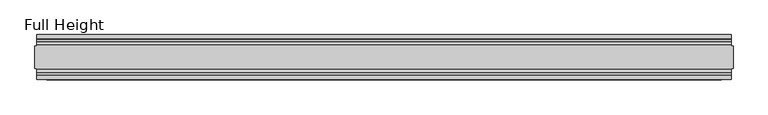
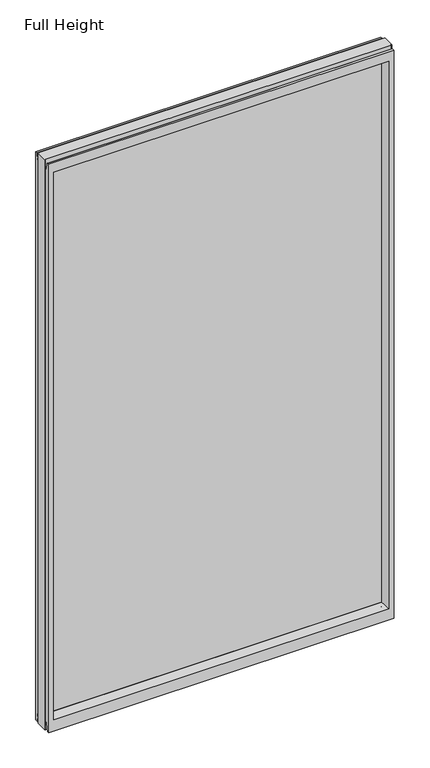
"""IFC4 building model written with IfcOpenShell, lengths in millimetres: plate geometry, Full Height."""

from ifc_helpers import new_model, si_unit, frame, origin, place, context, project, spatial, polyline, circle_curve, outline, extrude, source, transform, mapped, element, save
from ifc_brep_helpers import plane_surface, cylinder_surface, revolved_surface, advanced_brep


def full_height_ef7ac320(model_context):
    return source(origin(), model_context, "Body", "SolidModel", [
        advanced_brep(
        [(774.7, 25.146, 2688.336), (770.128, 25.146, 2688.336), (770.128, 26.67, 2688.336), (-770.128, 26.67, 2688.336), (-770.128, 25.146, 2688.336), (-774.7, 25.146, 2688.336), (-774.7, -25.146, 2688.336), (-770.128, -25.146, 2688.336), (-770.128, -26.67, 2688.336), (770.128, -26.67, 2688.336), (770.128, -25.146, 2688.336), (774.7, -25.146, 2688.336), (774.7, 25.146, 0.0), (774.7, -25.146, 0.0), (770.128, -25.146, 0.0), (770.128, -26.67, 0.0), (-770.128, -26.67, 0.0), (-770.128, -25.146, 0.0), (-774.7, -25.146, 0.0), (-774.7, 25.146, 0.0), (-770.128, 25.146, 0.0), (-770.128, 26.67, 0.0), (770.128, 26.67, 0.0), (770.128, 25.146, 0.0), (-770.128, 40.7946686, 0.0), (-770.128, 50.0, 0.0), (770.128, 50.0, 0.0), (770.128, 40.7946686, 0.0), (-770.128, 26.67, 36.4542208), (770.128, 26.67, 36.4542208), (-770.128, -26.67, 36.4542208), (-770.128, -34.2686707, 36.8568054), (-770.128, -36.9464913, 11.6561909), (-770.128, -39.043018, 8.6755976), (-770.128, -39.5246686, 7.9074686), (-770.128, -39.5246686, 1.27), (-770.128, -40.7946686, 0.0), (-770.128, -50.0, 0.0), (-770.128, -50.0, 2679.192), (-770.128, -39.9371387, 2679.192), (-770.128, -39.1867152, 2678.5623199), (-770.128, -34.2321175, 2650.4634004), (-770.128, -26.67, 2651.125), (-770.128, 39.5246686, 1.27), (-770.128, 39.5246686, 7.9074686), (-770.128, 39.043018, 8.6755976), (-770.128, 36.9464913, 11.6561909), (-770.128, 34.2686707, 36.8568054), (-770.128, 26.67, 2651.125), (-770.128, 34.2321175, 2650.4634004), (-770.128, 39.1867152, 2678.5623199), (-770.128, 39.9371387, 2679.192), (-770.128, 50.0, 2679.192), (770.128, -50.0, 0.0), (770.128, -50.0, 2679.192), (-748.03, -50.0, 2634.615), (748.03, -50.0, 2634.615), (748.03, -50.0, 52.8372208), (-748.03, -50.0, 52.8372208), (770.128, 50.0, 2679.192), (-748.03, 50.0, 52.8372208), (748.03, 50.0, 52.8372208), (748.03, 50.0, 2634.615), (-748.03, 50.0, 2634.615), (-742.061, -6.1006519, 58.8062208), (-742.061, -6.1006519, 2628.646), (-742.061, 6.1006519, 2628.646), (-742.061, 6.1006519, 58.8062208), (742.061, 6.1006519, 58.8062208), (742.061, 6.1006519, 2628.646), (742.061, -6.1006519, 2628.646), (742.061, -6.1006519, 58.8062208), (770.128, -40.7946686, 0.0), (770.128, -39.5246686, 1.27), (770.128, -39.5246686, 7.9074686), (770.128, -39.043018, 8.6755976), (770.128, -36.9464913, 11.6561909), (770.128, -34.2686707, 36.8568054), (770.128, -26.67, 36.4542208), (770.128, -26.67, 2651.125), (770.128, -34.2321175, 2650.4634004), (770.128, -39.1867152, 2678.5623199), (770.128, -39.9371387, 2679.192), (770.128, 39.9371387, 2679.192), (770.128, 39.1867152, 2678.5623199), (770.128, 34.2321175, 2650.4634004), (770.128, 26.67, 2651.125), (770.128, 34.2686707, 36.8568054), (770.128, 36.9464913, 11.6561909), (770.128, 39.043018, 8.6755976), (770.128, 39.5246686, 7.9074686), (770.128, 39.5246686, 1.27)],
        [
            (0, 1),
            (1, 2),
            (2, 3),
            (3, 4),
            (4, 5),
            (5, 6),
            (6, 7),
            (7, 8),
            (8, 9),
            (9, 10),
            (10, 11),
            (11, 0),
            (12, 13),
            (13, 14),
            (14, 15),
            (15, 16),
            (16, 17),
            (17, 18),
            (18, 19),
            (19, 20),
            (20, 21),
            (21, 22),
            (22, 23),
            (23, 12),
            (23, 1),
            (0, 12),
            (10, 14),
            (13, 11),
            (5, 19),
            (18, 6),
            (17, 7),
            (4, 20),
            (24, 25),
            (25, 26),
            (26, 27),
            (27, 24),
            (21, 28),
            (28, 29),
            (29, 22),
            (16, 30),
            (30, 31, circle_curve(frame((-770.128, -30.48, 36.4542208), z_axis=(1.0, 0.0, 0.0), x_axis=(0.0, -1.0, 0.0)), 3.81)),
            (31, 32),
            (32, 33, circle_curve(frame((-770.128, -40.6770502, 12.0526006), z_axis=(-1.0, 0.0, 0.0), x_axis=(0.0, -1.0, 0.0)), 3.751561)),
            (33, 34, circle_curve(frame((-770.128, -38.671343, 7.9074686), z_axis=(1.0, 0.0, 0.0), x_axis=(0.0, -1.0, 0.0)), 0.8533256)),
            (34, 35),
            (35, 36, circle_curve(frame((-770.128, -40.7946686, 1.27), z_axis=(-1.0, 0.0, 0.0), x_axis=(0.0, -1.0, 0.0)), 1.27)),
            (36, 37),
            (37, 38),
            (38, 39),
            (39, 40, circle_curve(frame((-770.128, -39.9371387, 2678.43), z_axis=(-1.0, 0.0, 0.0), x_axis=(0.0, -1.0, 0.0)), 0.762)),
            (40, 41),
            (41, 42, circle_curve(frame((-770.128, -30.48, 2651.125), z_axis=(1.0, 0.0, 0.0), x_axis=(0.0, -1.0, 0.0)), 3.81)),
            (42, 8),
            (24, 43, circle_curve(frame((-770.128, 40.7946686, 1.27), z_axis=(-1.0, 0.0, 0.0), x_axis=(0.0, -1.0, 0.0)), 1.27)),
            (43, 44),
            (44, 45, circle_curve(frame((-770.128, 38.671343, 7.9074686), z_axis=(1.0, 0.0, 0.0), x_axis=(0.0, -1.0, 0.0)), 0.8533256)),
            (45, 46, circle_curve(frame((-770.128, 40.6770502, 12.0526006), z_axis=(-1.0, 0.0, 0.0), x_axis=(0.0, -1.0, 0.0)), 3.751561)),
            (46, 47),
            (47, 28, circle_curve(frame((-770.128, 30.48, 36.4542208), z_axis=(1.0, 0.0, 0.0), x_axis=(0.0, -1.0, 0.0)), 3.81)),
            (3, 48),
            (48, 49, circle_curve(frame((-770.128, 30.48, 2651.125), z_axis=(1.0, 0.0, 0.0), x_axis=(0.0, -1.0, 0.0)), 3.81)),
            (49, 50),
            (50, 51, circle_curve(frame((-770.128, 39.9371387, 2678.43), z_axis=(-1.0, 0.0, 0.0), x_axis=(0.0, -1.0, 0.0)), 0.762)),
            (51, 52),
            (52, 25),
            (37, 53),
            (53, 54),
            (54, 38),
            (55, 56),
            (56, 57),
            (57, 58),
            (58, 55),
            (52, 59),
            (59, 26),
            (60, 61),
            (61, 62),
            (62, 63),
            (63, 60),
            (58, 64),
            (64, 65),
            (65, 55),
            (63, 66),
            (66, 67),
            (67, 60),
            (61, 68),
            (68, 69),
            (69, 62),
            (70, 71),
            (71, 57),
            (56, 70),
            (53, 72),
            (72, 73, circle_curve(frame((770.128, -40.7946686, 1.27), z_axis=(1.0, 0.0, 0.0), x_axis=(0.0, -1.0, 0.0)), 1.27)),
            (73, 74),
            (74, 75, circle_curve(frame((770.128, -38.671343, 7.9074686), z_axis=(-1.0, 0.0, 0.0), x_axis=(0.0, -1.0, 0.0)), 0.8533256)),
            (75, 76, circle_curve(frame((770.128, -40.6770502, 12.0526006), z_axis=(1.0, 0.0, 0.0), x_axis=(0.0, -1.0, 0.0)), 3.751561)),
            (76, 77),
            (77, 78, circle_curve(frame((770.128, -30.48, 36.4542208), z_axis=(-1.0, 0.0, 0.0), x_axis=(0.0, -1.0, 0.0)), 3.81)),
            (78, 15),
            (9, 79),
            (79, 80, circle_curve(frame((770.128, -30.48, 2651.125), z_axis=(-1.0, 0.0, 0.0), x_axis=(0.0, -1.0, 0.0)), 3.81)),
            (80, 81),
            (81, 82, circle_curve(frame((770.128, -39.9371387, 2678.43), z_axis=(1.0, 0.0, 0.0), x_axis=(0.0, -1.0, 0.0)), 0.762)),
            (82, 54),
            (59, 83),
            (83, 84, circle_curve(frame((770.128, 39.9371387, 2678.43), z_axis=(1.0, 0.0, 0.0), x_axis=(0.0, -1.0, 0.0)), 0.762)),
            (84, 85),
            (85, 86, circle_curve(frame((770.128, 30.48, 2651.125), z_axis=(-1.0, 0.0, 0.0), x_axis=(0.0, -1.0, 0.0)), 3.81)),
            (86, 2),
            (29, 87, circle_curve(frame((770.128, 30.48, 36.4542208), z_axis=(-1.0, 0.0, 0.0), x_axis=(0.0, -1.0, 0.0)), 3.81)),
            (87, 88),
            (88, 89, circle_curve(frame((770.128, 40.6770502, 12.0526006), z_axis=(1.0, 0.0, 0.0), x_axis=(0.0, -1.0, 0.0)), 3.751561)),
            (89, 90, circle_curve(frame((770.128, 38.671343, 7.9074686), z_axis=(-1.0, 0.0, 0.0), x_axis=(0.0, -1.0, 0.0)), 0.8533256)),
            (90, 91),
            (91, 27, circle_curve(frame((770.128, 40.7946686, 1.27), z_axis=(1.0, 0.0, 0.0), x_axis=(0.0, -1.0, 0.0)), 1.27)),
            (91, 43),
            (90, 44),
            (89, 45),
            (88, 46),
            (87, 47),
            (78, 30),
            (31, 77),
            (76, 32),
            (75, 33),
            (74, 34),
            (73, 35),
            (72, 36),
            (71, 64),
            (67, 68),
            (86, 48),
            (85, 49),
            (84, 50),
            (83, 51),
            (69, 66),
            (65, 70),
            (82, 39),
            (81, 40),
            (80, 41),
            (79, 42),
            (65, 66),
            (69, 70),
            (71, 68),
            (67, 64),
        ],
        [
            plane_surface(frame((770.128, 25.146, 2688.336), z_axis=(0.0, 0.0, 1.0), x_axis=(-1.0, 0.0, 0.0))),
            plane_surface(frame((770.128, 25.146, 0.0), z_axis=(0.0, 0.0, -1.0), x_axis=(1.0, 0.0, 0.0))),
            plane_surface(frame((774.7, 25.146, 2688.336), z_axis=(0.0, 1.0, 0.0), x_axis=(0.0, 0.0, -1.0))),
            plane_surface(frame((770.128, -25.146, 2688.336), z_axis=(0.0, -1.0, 0.0), x_axis=(0.0, 0.0, -1.0))),
            plane_surface(frame((774.7, -25.146, 2688.336), z_axis=(1.0, 0.0, 0.0), x_axis=(0.0, 0.0, -1.0))),
            plane_surface(frame((-774.7, 25.146, 2688.336), z_axis=(-1.0, 0.0, 0.0), x_axis=(0.0, 0.0, -1.0))),
            plane_surface(frame((-774.7, -25.146, 2688.336), z_axis=(0.0, -1.0, 0.0), x_axis=(0.0, 0.0, -1.0))),
            plane_surface(frame((-770.128, 25.146, 2688.336), z_axis=(0.0, 1.0, 0.0), x_axis=(0.0, 0.0, -1.0))),
            plane_surface(frame((-770.128, 50.0, 0.0), z_axis=(0.0, 0.0, -1.0), x_axis=(1.0, 0.0, 0.0))),
            plane_surface(frame((-770.128, 26.67, 36.4542208), z_axis=(0.0, 1.0, 0.0), x_axis=(1.0, 0.0, 0.0))),
            plane_surface(frame((-770.128, 50.0, 2646.4006), z_axis=(-1.0, 0.0, 0.0), x_axis=(0.0, 0.0, -1.0))),
            plane_surface(frame((-770.128, -50.0, 2646.4006), z_axis=(0.0, -1.0, 0.0), x_axis=(0.0, 0.0, -1.0))),
            plane_surface(frame((-748.03, 50.0, 2646.4006), z_axis=(0.0, 1.0, 0.0), x_axis=(0.0, 0.0, -1.0))),
            plane_surface(frame((-748.03, -50.0, 2646.4006), z_axis=(0.9908822943533606, -0.13473039277393942, 0.0), x_axis=(0.0, 0.0, -1.0))),
            plane_surface(frame((-742.061, 6.1006519, 2646.4006), z_axis=(0.9908822943533612, 0.13473039277393595, 0.0), x_axis=(0.0, 0.0, -1.0))),
            plane_surface(frame((748.03, 50.0, 2646.4006), z_axis=(-0.9908822943533602, 0.1347303927739433, 0.0), x_axis=(0.0, 0.0, -1.0))),
            plane_surface(frame((742.061, -6.1006519, 2646.4006), z_axis=(-0.990882294353356, -0.13473039277397456, 0.0), x_axis=(0.0, 0.0, -1.0))),
            plane_surface(frame((770.128, -50.0, 2646.4006), z_axis=(1.0, 0.0, 0.0), x_axis=(0.0, 0.0, -1.0))),
            cylinder_surface(frame((770.128, 40.7946686, 1.27), z_axis=(-1.0, 0.0, 0.0), x_axis=(0.0, -1.0, 0.0)), 1.27),
            plane_surface(frame((-770.128, 39.5246686, 1.27), z_axis=(0.0, -1.0, 0.0), x_axis=(1.0, 0.0, 0.0))),
            revolved_surface(polyline([(770.128, 37.8180174, 7.9074686), (-770.128, 37.8180174, 7.9074686)]), (770.128, 38.671343, 7.9074686), (1.0, 0.0, 0.0)),
            cylinder_surface(frame((770.128, 40.6770502, 12.0526006), z_axis=(-1.0, 0.0, 0.0), x_axis=(0.0, -1.0, 0.0)), 3.751561),
            plane_surface(frame((-770.128, 36.9464913, 11.6561909), z_axis=(0.0, -0.9944017560866673, -0.10566526151840337), x_axis=(1.0, 0.0, 0.0))),
            plane_surface(frame((-770.128, -26.67, 0.0), z_axis=(0.0, -1.0, 0.0), x_axis=(1.0, 0.0, 0.0))),
            plane_surface(frame((-770.128, -34.2686707, 36.8568054), z_axis=(0.0, 0.9944017560866222, -0.10566526151882621), x_axis=(1.0, 0.0, 0.0))),
            cylinder_surface(frame((770.128, -40.6770502, 12.0526006), z_axis=(-1.0, 0.0, 0.0), x_axis=(0.0, -1.0, 0.0)), 3.751561),
            revolved_surface(polyline([(770.128, -39.5246686, 7.9074686), (-770.128, -39.5246686, 7.9074686)]), (770.128, -38.671343, 7.9074686), (1.0, 0.0, 0.0)),
            plane_surface(frame((-770.128, -39.5246686, 7.9074686), z_axis=(0.0, 1.0, 0.0), x_axis=(1.0, 0.0, 0.0))),
            cylinder_surface(frame((770.128, -40.7946686, 1.27), z_axis=(-1.0, 0.0, 0.0), x_axis=(0.0, -1.0, 0.0)), 1.27),
            plane_surface(frame((-770.128, -40.7946686, 0.0), z_axis=(0.0, 0.0, -1.0), x_axis=(1.0, 0.0, 0.0))),
            plane_surface(frame((-770.128, -50.0, 52.8372208), z_axis=(0.0, -0.13473039277394736, 0.9908822943533596), x_axis=(1.0, 0.0, 0.0))),
            plane_surface(frame((-770.128, 6.1006519, 58.8062208), z_axis=(0.0, 0.13473039277399934, 0.9908822943533526), x_axis=(1.0, 0.0, 0.0))),
            revolved_surface(polyline([(770.128, 26.67, 36.4542208), (-770.128, 26.67, 36.4542208)]), (770.128, 30.48, 36.4542208), (1.0, 0.0, 0.0)),
            revolved_surface(polyline([(770.128, -34.29, 36.4542208), (-770.128, -34.29, 36.4542208)]), (770.128, -30.48, 36.4542208), (1.0, 0.0, 0.0)),
            plane_surface(frame((-770.128, 26.67, 2688.336), z_axis=(0.0, 1.0, 0.0), x_axis=(1.0, 0.0, 0.0))),
            revolved_surface(polyline([(770.1279999999999, 26.67, 2651.125), (-770.128, 26.67, 2651.125)]), (-774.7, 30.48, 2651.125), (1.0, 0.0, 0.0)),
            plane_surface(frame((-770.128, 34.2321175, 2650.4634004), z_axis=(0.0, -0.9848077530113105, 0.1736481776720208), x_axis=(1.0, 0.0, 0.0))),
            cylinder_surface(frame((-774.7, 39.9371387, 2678.43), z_axis=(-1.0, 0.0, 0.0), x_axis=(0.0, -1.0, 0.0)), 0.762),
            plane_surface(frame((-770.128, 39.9371387, 2679.192), z_axis=(0.0, 0.0, 1.0), x_axis=(1.0, 0.0, 0.0))),
            plane_surface(frame((-770.128, 50.0, 2634.615), z_axis=(0.0, 0.1347303927734498, -0.9908822943534272), x_axis=(1.0, 0.0, 0.0))),
            plane_surface(frame((-770.128, -6.1006519, 2628.646), z_axis=(0.0, -0.1347303927724766, -0.9908822943535597), x_axis=(1.0, 0.0, 0.0))),
            plane_surface(frame((-770.128, -50.0, 2679.192), z_axis=(0.0, 0.0, 1.0), x_axis=(1.0, 0.0, 0.0))),
            cylinder_surface(frame((-774.7, -39.9371387, 2678.43), z_axis=(-1.0, 0.0, 0.0), x_axis=(0.0, -1.0, 0.0)), 0.762),
            plane_surface(frame((-770.128, -39.1867152, 2678.5623199), z_axis=(0.0, 0.9848077530103839, 0.17364817767727592), x_axis=(1.0, 0.0, 0.0))),
            revolved_surface(polyline([(770.1279999999999, -34.29, 2651.125), (-770.128, -34.29, 2651.125)]), (-774.7, -30.48, 2651.125), (1.0, 0.0, 0.0)),
            plane_surface(frame((-770.128, -26.67, 2651.125), z_axis=(0.0, -1.0, 0.0), x_axis=(1.0, 0.0, 0.0))),
            plane_surface(frame((-770.128, 6.1006519, 2628.646), z_axis=(0.0, 0.0, -1.0), x_axis=(1.0, 0.0, 0.0))),
            plane_surface(frame((-770.128, -6.1006519, 58.8062208), z_axis=(0.0, 0.0, 1.0), x_axis=(1.0, 0.0, 0.0))),
            plane_surface(frame((-742.061, -6.1006519, 2646.4006), z_axis=(1.0, 0.0, 0.0), x_axis=(0.0, 0.0, -1.0))),
            plane_surface(frame((742.061, 6.1006519, 2646.4006), z_axis=(-1.0, 0.0, 0.0), x_axis=(0.0, 0.0, -1.0))),
        ],
        [
            (0, [[1, 2, 3, 4, 5, 6, 7, 8, 9, 10, 11, 12]]),
            (1, [[13, 14, 15, 16, 17, 18, 19, 20, 21, 22, 23, 24]]),
            (2, [[25, -1, 26, -24]]),
            (3, [[-11, 27, -14, 28]]),
            (4, [[-12, -28, -13, -26]]),
            (5, [[-6, 29, -19, 30]]),
            (6, [[31, -7, -30, -18]]),
            (7, [[-5, 32, -20, -29]]),
            (8, [[33, 34, 35, 36]]),
            (9, [[37, 38, 39, -22]]),
            (10, [[-17, 40, 41, 42, 43, 44, 45, 46, 47, 48, 49, 50, 51, 52, 53, -8, -31]]),
            (10, [[-33, 54, 55, 56, 57, 58, 59, -37, -21, -32, -4, 60, 61, 62, 63, 64, 65]]),
            (11, [[-48, 66, 67, 68], [69, 70, 71, 72]]),
            (12, [[-65, 73, 74, -34], [75, 76, 77, 78]]),
            (13, [[-72, 79, 80, 81]]),
            (14, [[-78, 82, 83, 84]]),
            (15, [[-76, 85, 86, 87]]),
            (16, [[88, 89, -70, 90]]),
            (17, [[-67, 91, 92, 93, 94, 95, 96, 97, 98, -15, -27, -10, 99, 100, 101, 102, 103]]),
            (17, [[-74, 104, 105, 106, 107, 108, -2, -25, -23, -39, 109, 110, 111, 112, 113, 114, -35]]),
            (18, [[-54, -36, -114, 115]]),
            (19, [[-55, -115, -113, 116]]),
            (20, [[-56, -116, -112, 117]]),
            (21, [[-57, -117, -111, 118]]),
            (22, [[-58, -118, -110, 119]]),
            (23, [[-40, -16, -98, 120]]),
            (24, [[-42, 121, -96, 122]]),
            (25, [[-43, -122, -95, 123]]),
            (26, [[-44, -123, -94, 124]]),
            (27, [[-45, -124, -93, 125]]),
            (28, [[-46, -125, -92, 126]]),
            (29, [[-47, -126, -91, -66]]),
            (30, [[-71, -89, 127, -79]]),
            (31, [[-75, -84, 128, -85]]),
            (32, [[-59, -119, -109, -38]]),
            (33, [[-41, -120, -97, -121]]),
            (34, [[-60, -3, -108, 129]]),
            (35, [[-61, -129, -107, 130]]),
            (36, [[-62, -130, -106, 131]]),
            (37, [[-63, -131, -105, 132]]),
            (38, [[-64, -132, -104, -73]]),
            (39, [[-77, -87, 133, -82]]),
            (40, [[-69, -81, 134, -90]]),
            (41, [[-49, -68, -103, 135]]),
            (42, [[-50, -135, -102, 136]]),
            (43, [[-51, -136, -101, 137]]),
            (44, [[-52, -137, -100, 138]]),
            (45, [[-53, -138, -99, -9]]),
            (46, [[-134, 139, -133, 140]]),
            (47, [[-127, 141, -128, 142]]),
            (48, [[-83, -139, -80, -142]]),
            (49, [[-88, -140, -86, -141]]),
        ],
    ),
        extrude(outline(polyline([(-742.061, 4.826), (742.061, 4.826), (742.061, -4.826), (-742.061, -4.826), (-742.061, 4.826)])), frame((0.0, 0.0, 58.8062208), z_axis=(0.0, 0.0, 1.0), x_axis=(1.0, 0.0, 0.0)), (0.0, 0.0, 1.0), 2569.8397792),
    ])


if __name__ == "__main__":
    model = new_model("IFC4")
    model_context = context("Model", 3, world=origin())
    ifc_project = project(units=[si_unit("LENGTHUNIT", "METRE", prefix="MILLI")], contexts=[model_context])
    site = spatial("IfcSite", under=ifc_project)
    building = spatial("IfcBuilding", under=site)
    placement = place(None, origin())
    full_height_shape = full_height_ef7ac320(model_context)
    element("IfcPlate", 1, ObjectType="Full Height", at=placement, inside=building, context=model_context, shape_type="MappedRepresentation", body=[
        mapped(full_height_shape, transform((0.0, 0.0, 0.0), x_axis=(1.0, 0.0, 0.0), y_axis=(0.0, 1.0, 0.0), z_axis=(0.0, 0.0, 1.0))),
    ])
    save(model, "model.ifc")
